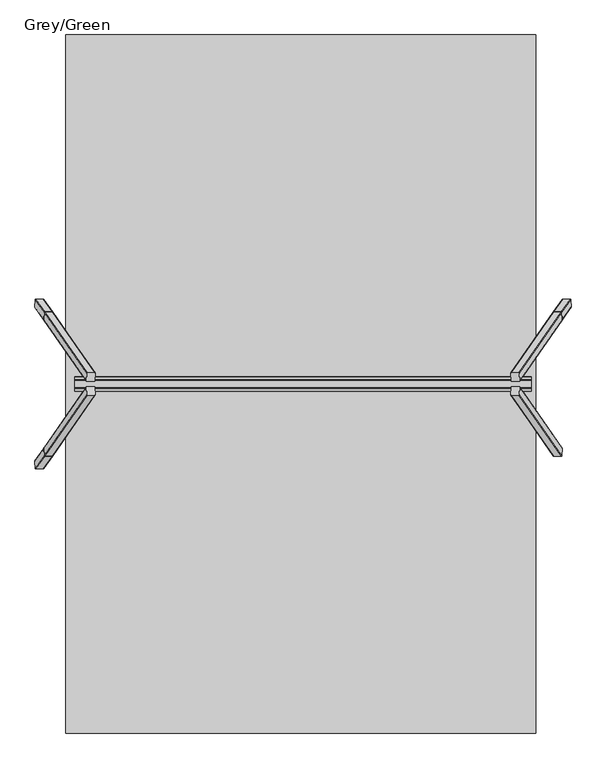
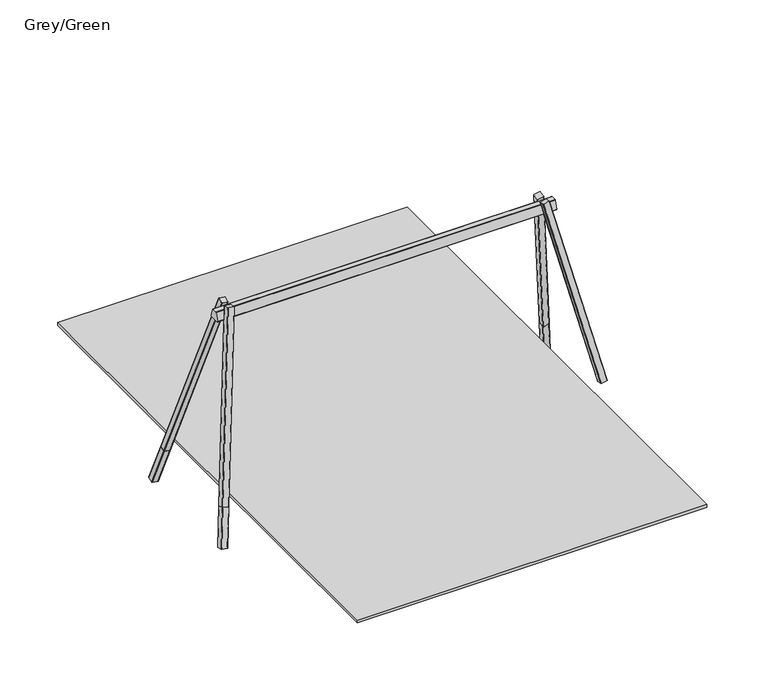
"""IFC4 building model written with IfcOpenShell, lengths in millimetres: furniture geometry, Grey/Green."""

from ifc_helpers import new_model, si_unit, point, frame, frame_2d, origin, place, context, project, spatial, polyline, circle_curve, trimmed, segment, composite_curve, outline, extrude, source, transform, mapped, element, save


def grey_green_cbe4ddd8(model_context):
    return source(origin(), model_context, "Body", "SweptSolid", [
        extrude(outline(composite_curve([segment(polyline([(549.3354975, 15.6129077), (549.3354976, -69.3870923)]), True, "CONTINUOUS"), segment(trimmed(circle_curve(frame_2d((544.3354976, -69.3870923)), 5.0), [point((549.3354976, -69.3870923))], [point((544.3354976, -74.3870923))], False, "CARTESIAN"), True, "CONTINUOUS"), segment(polyline([(544.3354976, -74.3870923), (459.3354976, -74.3870923)]), True, "CONTINUOUS"), segment(trimmed(circle_curve(frame_2d((459.3354976, -69.3870923)), 5.0), [point((459.3354976, -74.3870923))], [point((454.3354976, -69.3870923))], False, "CARTESIAN"), True, "CONTINUOUS"), segment(polyline([(454.3354976, -69.3870923), (454.3354976, 15.6129077)]), True, "CONTINUOUS"), segment(trimmed(circle_curve(frame_2d((459.3354976, 15.6129077)), 5.0), [point((454.3354976, 15.6129077))], [point((459.3354976, 20.6129076))], False, "CARTESIAN"), True, "CONTINUOUS"), segment(polyline([(459.3354976, 20.6129076), (544.3354976, 20.6129077)]), True, "CONTINUOUS"), segment(trimmed(circle_curve(frame_2d((544.3354976, 15.6129077)), 5.0), [point((544.3354976, 20.6129077))], [point((549.3354975, 15.6129077))], False, "CARTESIAN"), True, "CONTINUOUS")], self_intersect=False)), frame((3298.7617384, -718.9666546, -118.9646067), z_axis=(-0.1739616592589606, 0.24987304883695416, 0.9525233858403659), x_axis=(0.9837286289495357, 0.0, 0.1796607485931937)), (0.0, 0.0, 1.0), 2680.0),
        extrude(outline(composite_curve([segment(trimmed(circle_curve(frame_2d((-32.576483, 90.0)), 5.0), [point((-37.576483, 90.0))], [point((-32.5764831, 95.0))], False, "CARTESIAN"), True, "CONTINUOUS"), segment(polyline([(-32.5764831, 95.0), (52.423517, 95.0)]), True, "CONTINUOUS"), segment(trimmed(circle_curve(frame_2d((52.423517, 90.0)), 5.0), [point((52.423517, 95.0))], [point((57.423517, 90.0))], False, "CARTESIAN"), True, "CONTINUOUS"), segment(polyline([(57.423517, 90.0), (57.4235169, 5.0000001)]), True, "CONTINUOUS"), segment(trimmed(circle_curve(frame_2d((52.423517, 5.0000001)), 5.0), [point((57.4235169, 5.0000001))], [point((52.423517, 0.0))], False, "CARTESIAN"), True, "CONTINUOUS"), segment(polyline([(52.423517, 0.0), (-32.5764831, 0.0)]), True, "CONTINUOUS"), segment(trimmed(circle_curve(frame_2d((-32.5764831, 5.0000001)), 5.0), [point((-32.5764831, 0.0))], [point((-37.576483, 5.0))], False, "CARTESIAN"), True, "CONTINUOUS"), segment(polyline([(-37.576483, 5.0), (-37.576483, 90.0)]), True, "CONTINUOUS")], self_intersect=False)), frame((3881.0135283, 838.9365244, -569.0672306), z_axis=(-0.17396165925896223, -0.24987304883695344, 0.9525233858403658), x_axis=(0.9837286289495357, 0.0, 0.17966074859319375)), (0.0, 0.0, 1.0), 560.0),
        extrude(outline(composite_curve([segment(trimmed(circle_curve(frame_2d((544.3354976, -15.6129077)), 5.0), [point((549.3354975, -15.6129077))], [point((544.3354976, -20.6129077))], False, "CARTESIAN"), True, "CONTINUOUS"), segment(polyline([(544.3354976, -20.6129077), (459.3354976, -20.6129076)]), True, "CONTINUOUS"), segment(trimmed(circle_curve(frame_2d((459.3354976, -15.6129077)), 5.0), [point((459.3354976, -20.6129076))], [point((454.3354976, -15.6129077))], False, "CARTESIAN"), True, "CONTINUOUS"), segment(polyline([(454.3354976, -15.6129077), (454.3354976, 69.3870923)]), True, "CONTINUOUS"), segment(trimmed(circle_curve(frame_2d((459.3354976, 69.3870923)), 5.0), [point((454.3354976, 69.3870923))], [point((459.3354976, 74.3870923))], False, "CARTESIAN"), True, "CONTINUOUS"), segment(polyline([(459.3354976, 74.3870923), (544.3354976, 74.3870923)]), True, "CONTINUOUS"), segment(trimmed(circle_curve(frame_2d((544.3354976, 69.3870923)), 5.0), [point((544.3354976, 74.3870923))], [point((549.3354976, 69.3870923))], False, "CARTESIAN"), True, "CONTINUOUS"), segment(polyline([(549.3354976, 69.3870923), (549.3354975, -15.6129077)]), True, "CONTINUOUS")], self_intersect=False)), frame((3298.7617384, 718.9666546, -118.9646067), z_axis=(-0.1739616592589606, -0.24987304883695416, 0.9525233858403659), x_axis=(0.9837286289495357, 0.0, 0.1796607485931937)), (0.0, 0.0, 1.0), 2680.0),
        extrude(outline(composite_curve([segment(polyline([(-37.576483, -90.0), (-37.576483, -5.0)]), True, "CONTINUOUS"), segment(trimmed(circle_curve(frame_2d((-32.5764831, -5.0000001)), 5.0), [point((-37.576483, -5.0))], [point((-32.5764831, 0.0))], False, "CARTESIAN"), True, "CONTINUOUS"), segment(polyline([(-32.5764831, 0.0), (52.423517, 0.0)]), True, "CONTINUOUS"), segment(trimmed(circle_curve(frame_2d((52.423517, -5.0000001)), 5.0), [point((52.423517, 0.0))], [point((57.4235169, -5.0000001))], False, "CARTESIAN"), True, "CONTINUOUS"), segment(polyline([(57.4235169, -5.0000001), (57.423517, -90.0)]), True, "CONTINUOUS"), segment(trimmed(circle_curve(frame_2d((52.423517, -90.0)), 5.0), [point((57.423517, -90.0))], [point((52.423517, -95.0))], False, "CARTESIAN"), True, "CONTINUOUS"), segment(polyline([(52.423517, -95.0), (-32.5764831, -95.0)]), True, "CONTINUOUS"), segment(trimmed(circle_curve(frame_2d((-32.576483, -90.0)), 5.0), [point((-32.5764831, -95.0))], [point((-37.576483, -90.0))], False, "CARTESIAN"), True, "CONTINUOUS")], self_intersect=False)), frame((-1881.0135283, 838.9365244, -569.0672306), z_axis=(0.17396165925896223, -0.24987304883695344, 0.9525233858403658), x_axis=(-0.9837286289495357, 0.0, 0.17966074859319375)), (0.0, 0.0, 1.0), 560.0),
        extrude(outline(composite_curve([segment(polyline([(549.3354975, 15.6129077), (549.3354976, -69.3870923)]), True, "CONTINUOUS"), segment(trimmed(circle_curve(frame_2d((544.3354976, -69.3870923)), 5.0), [point((549.3354976, -69.3870923))], [point((544.3354976, -74.3870923))], False, "CARTESIAN"), True, "CONTINUOUS"), segment(polyline([(544.3354976, -74.3870923), (459.3354976, -74.3870923)]), True, "CONTINUOUS"), segment(trimmed(circle_curve(frame_2d((459.3354976, -69.3870923)), 5.0), [point((459.3354976, -74.3870923))], [point((454.3354976, -69.3870923))], False, "CARTESIAN"), True, "CONTINUOUS"), segment(polyline([(454.3354976, -69.3870923), (454.3354976, 15.6129077)]), True, "CONTINUOUS"), segment(trimmed(circle_curve(frame_2d((459.3354976, 15.6129077)), 5.0), [point((454.3354976, 15.6129077))], [point((459.3354976, 20.6129076))], False, "CARTESIAN"), True, "CONTINUOUS"), segment(polyline([(459.3354976, 20.6129076), (544.3354976, 20.6129077)]), True, "CONTINUOUS"), segment(trimmed(circle_curve(frame_2d((544.3354976, 15.6129077)), 5.0), [point((544.3354976, 20.6129077))], [point((549.3354975, 15.6129077))], False, "CARTESIAN"), True, "CONTINUOUS")], self_intersect=False)), frame((-1298.7617384, 718.9666546, -118.9646067), z_axis=(0.1739616592589606, -0.24987304883695416, 0.9525233858403659), x_axis=(-0.9837286289495357, 0.0, 0.1796607485931937)), (0.0, 0.0, 1.0), 2680.0),
        extrude(outline(composite_curve([segment(trimmed(circle_curve(frame_2d((-32.576483, 90.0)), 5.0), [point((-37.576483, 90.0))], [point((-32.5764831, 95.0))], False, "CARTESIAN"), True, "CONTINUOUS"), segment(polyline([(-32.5764831, 95.0), (52.423517, 95.0)]), True, "CONTINUOUS"), segment(trimmed(circle_curve(frame_2d((52.423517, 90.0)), 5.0), [point((52.423517, 95.0))], [point((57.423517, 90.0))], False, "CARTESIAN"), True, "CONTINUOUS"), segment(polyline([(57.423517, 90.0), (57.4235169, 5.0000001)]), True, "CONTINUOUS"), segment(trimmed(circle_curve(frame_2d((52.423517, 5.0000001)), 5.0), [point((57.4235169, 5.0000001))], [point((52.423517, 0.0))], False, "CARTESIAN"), True, "CONTINUOUS"), segment(polyline([(52.423517, 0.0), (-32.5764831, 0.0)]), True, "CONTINUOUS"), segment(trimmed(circle_curve(frame_2d((-32.5764831, 5.0000001)), 5.0), [point((-32.5764831, 0.0))], [point((-37.576483, 5.0))], False, "CARTESIAN"), True, "CONTINUOUS"), segment(polyline([(-37.576483, 5.0), (-37.576483, 90.0)]), True, "CONTINUOUS")], self_intersect=False)), frame((-1881.0135283, -838.9365244, -569.0672306), z_axis=(0.17396165925896223, 0.24987304883695344, 0.9525233858403658), x_axis=(-0.9837286289495357, 0.0, 0.17966074859319375)), (0.0, 0.0, 1.0), 560.0),
        extrude(outline(composite_curve([segment(polyline([(74.8457619, 2342.2010506), (-74.473853, 2342.2010506)]), True, "CONTINUOUS"), segment(trimmed(circle_curve(frame_2d((-74.473853, 2347.2010506)), 5.0), [point((-74.473853, 2342.2010506))], [point((-79.2887572, 2348.5488997))], False, "CARTESIAN"), True, "CONTINUOUS"), segment(polyline([(-79.2887572, 2348.5488997), (-44.8570379, 2471.5488997)]), True, "CONTINUOUS"), segment(trimmed(circle_curve(frame_2d((-40.0421337, 2470.2010506)), 5.0), [point((-44.8570379, 2471.5488997))], [point((-40.0421337, 2475.2010506))], False, "CARTESIAN"), True, "CONTINUOUS"), segment(polyline([(-40.0421337, 2475.2010506), (39.6761648, 2475.2010506)]), True, "CONTINUOUS"), segment(trimmed(circle_curve(frame_2d((39.6761648, 2470.2010506)), 5.0), [point((39.6761648, 2475.2010506))], [point((44.4835084, 2471.5756225))], False, "CARTESIAN"), True, "CONTINUOUS"), segment(polyline([(44.4835084, 2471.5756225), (79.6531055, 2348.5756225)]), True, "CONTINUOUS"), segment(trimmed(circle_curve(frame_2d((74.8457619, 2347.2010506)), 5.0), [point((79.6531055, 2348.5756225))], [point((74.8457619, 2342.2010506))], False, "CARTESIAN"), True, "CONTINUOUS")], self_intersect=False)), frame((-1500.0, 0.0, 0.0), z_axis=(1.0, 0.0, 0.0), x_axis=(0.0, 1.0, 0.0)), (0.0, 0.0, 1.0), 5000.0),
        extrude(outline(composite_curve([segment(trimmed(circle_curve(frame_2d((544.3354976, -15.6129077)), 5.0), [point((549.3354975, -15.6129077))], [point((544.3354976, -20.6129077))], False, "CARTESIAN"), True, "CONTINUOUS"), segment(polyline([(544.3354976, -20.6129077), (459.3354976, -20.6129076)]), True, "CONTINUOUS"), segment(trimmed(circle_curve(frame_2d((459.3354976, -15.6129077)), 5.0), [point((459.3354976, -20.6129076))], [point((454.3354976, -15.6129077))], False, "CARTESIAN"), True, "CONTINUOUS"), segment(polyline([(454.3354976, -15.6129077), (454.3354976, 69.3870923)]), True, "CONTINUOUS"), segment(trimmed(circle_curve(frame_2d((459.3354976, 69.3870923)), 5.0), [point((454.3354976, 69.3870923))], [point((459.3354976, 74.3870923))], False, "CARTESIAN"), True, "CONTINUOUS"), segment(polyline([(459.3354976, 74.3870923), (544.3354976, 74.3870923)]), True, "CONTINUOUS"), segment(trimmed(circle_curve(frame_2d((544.3354976, 69.3870923)), 5.0), [point((544.3354976, 74.3870923))], [point((549.3354976, 69.3870923))], False, "CARTESIAN"), True, "CONTINUOUS"), segment(polyline([(549.3354976, 69.3870923), (549.3354975, -15.6129077)]), True, "CONTINUOUS")], self_intersect=False)), frame((-1298.7617384, -718.9666546, -118.9646067), z_axis=(0.1739616592589606, 0.24987304883695416, 0.9525233858403659), x_axis=(-0.9837286289495357, 0.0, 0.1796607485931937)), (0.0, 0.0, 1.0), 2680.0),
        extrude(outline(polyline([(3550.0, 3825.0), (3550.0, -3825.0), (-1600.0, -3825.0), (-1600.0, 3825.0), (3550.0, 3825.0)])), frame((0.0, 0.0, -40.0), z_axis=(0.0, 0.0, 1.0), x_axis=(1.0, 0.0, 0.0)), (0.0, 0.0, 1.0), 41.0),
    ])


if __name__ == "__main__":
    model = new_model("IFC4")
    model_context = context("Model", 3, world=origin())
    ifc_project = project(units=[si_unit("LENGTHUNIT", "METRE", prefix="MILLI")], contexts=[model_context])
    site = spatial("IfcSite", under=ifc_project)
    building = spatial("IfcBuilding", under=site)
    placement = place(None, origin())
    grey_green_shape = grey_green_cbe4ddd8(model_context)
    element("IfcFurniture", 1, ObjectType="Grey/Green", at=placement, inside=building, context=model_context, shape_type="MappedRepresentation", body=[
        mapped(grey_green_shape, transform((0.0, 0.0, 0.0), x_axis=(1.0, 0.0, 0.0), y_axis=(0.0, 1.0, 0.0), z_axis=(0.0, 0.0, 1.0))),
    ])
    save(model, "model.ifc")
